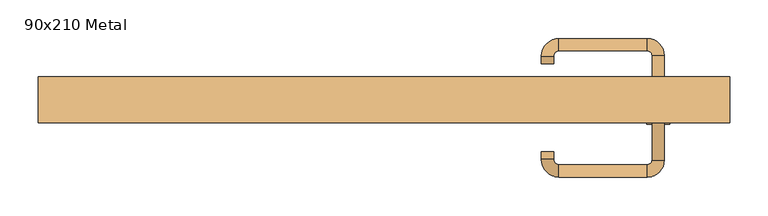
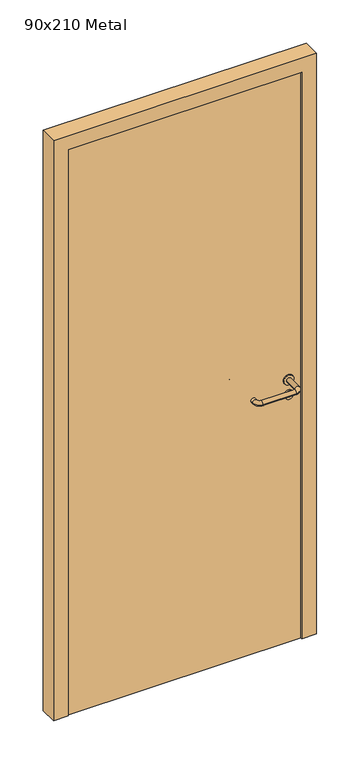
"""IFC4 building model written with IfcOpenShell, lengths in millimetres: door geometry, 90x210 Metal."""

from ifc_helpers import new_model, si_unit, point, frame, frame_2d, origin, origin_with_axes, place, context, project, spatial, polyline, circle_curve, ellipse_curve, trimmed, segment, composite_curve, outline, extrude, source, transform, mapped, element, save
from ifc_brep_helpers import plane_surface, cylinder_surface, revolved_surface, advanced_brep


def door_90x210_metal_0767e259(model_context):
    return source(origin(), model_context, "Body", "SolidModel", [
        extrude(outline(composite_curve([segment(trimmed(circle_curve(frame_2d((897.3605726, 357.0)), 15.0), [point((897.3605726, 372.0))], [point((897.3605726, 342.0))], False, "CARTESIAN"), True, "CONTINUOUS"), segment(trimmed(circle_curve(frame_2d((897.3605726, 357.0)), 15.0), [point((897.3605726, 342.0))], [point((897.3605726, 372.0))], False, "CARTESIAN"), True, "CONTINUOUS")], self_intersect=False), holes=[composite_curve([segment(trimmed(circle_curve(frame_2d((892.5833211, 356.9398032)), 2.0), [point((892.5833211, 358.9398032))], [point((892.5833211, 354.9398032))], True, "CARTESIAN"), True, "CONTINUOUS"), segment(polyline([(892.5833211, 354.9398032), (902.5833211, 354.9398032)]), True, "CONTINUOUS"), segment(trimmed(circle_curve(frame_2d((902.5833211, 356.9398032)), 2.0), [point((902.5833211, 354.9398032))], [point((902.5833211, 358.9398032))], True, "CARTESIAN"), True, "CONTINUOUS"), segment(polyline([(902.5833211, 358.9398032), (892.5833211, 358.9398032)]), True, "CONTINUOUS")], self_intersect=False)]), frame((0.0, -5.0, 0.0), z_axis=(0.0, 1.0, 0.0), x_axis=(0.0, 0.0, 1.0)), (0.0, 0.0, 1.0), 6.35),
        extrude(outline(composite_curve([segment(trimmed(circle_curve(frame_2d((950.0, 357.0)), 17.526), [point((950.0, 374.526))], [point((950.0, 339.474))], False, "CARTESIAN"), True, "CONTINUOUS"), segment(trimmed(circle_curve(frame_2d((950.0, 357.0)), 17.526), [point((950.0, 339.474))], [point((950.0, 374.526))], False, "CARTESIAN"), True, "CONTINUOUS")], self_intersect=False)), frame((0.0, -5.0, 0.0), z_axis=(0.0, 1.0, 0.0), x_axis=(0.0, 0.0, 1.0)), (0.0, 0.0, 1.0), 3.175),
        advanced_brep(
        [(365.0, -5.0, 950.0), (349.0, -5.0, 950.0), (365.0, 48.0, 950.0), (349.0, 48.0, 950.0), (342.8578644, 54.1421356, 950.0), (342.8578644, 70.1421356, 950.0), (227.8578644, 70.1421356, 950.0), (227.8578644, 54.1421356, 950.0), (221.008622, 47.2928932, 950.0), (205.008622, 47.2928932, 950.0), (205.008622, 37.2928932, 950.0), (221.008622, 37.2928932, 950.0)],
        [
            (0, 1, circle_curve(frame((357.0, -5.0, 950.0), z_axis=(0.0, -1.0, 0.0), x_axis=(-1.0, 0.0, 0.0)), 8.0)),
            (1, 0, circle_curve(frame((357.0, -5.0, 950.0), z_axis=(0.0, -1.0, 0.0), x_axis=(-1.0, 0.0, 0.0)), 8.0)),
            (0, 2),
            (2, 3, circle_curve(frame((357.0, 48.0, 950.0), z_axis=(0.0, -1.0, 0.0), x_axis=(-1.0, 0.0, 0.0)), 8.0)),
            (3, 1),
            (3, 2, circle_curve(frame((357.0, 48.0, 950.0), z_axis=(0.0, -1.0, 0.0), x_axis=(-1.0, 0.0, 0.0)), 8.0)),
            (4, 3, circle_curve(frame((342.8578644, 48.0, 950.0), z_axis=(0.0, 0.0, -1.0), x_axis=(1.0, 0.0, 0.0)), 6.1421356)),
            (2, 5, circle_curve(frame((342.8578644, 48.0, 950.0), z_axis=(0.0, 0.0, 1.0), x_axis=(1.0, 0.0, 0.0)), 22.1421356)),
            (5, 4, circle_curve(frame((342.8578644, 62.1421356, 950.0), z_axis=(1.0, 0.0, 0.0), x_axis=(0.0, -1.0, 0.0)), 8.0)),
            (4, 5, circle_curve(frame((342.8578644, 62.1421356, 950.0), z_axis=(1.0, 0.0, 0.0), x_axis=(0.0, -1.0, 0.0)), 8.0)),
            (5, 6),
            (6, 7, circle_curve(frame((227.8578644, 62.1421356, 950.0), z_axis=(1.0, 0.0, 0.0), x_axis=(0.0, -1.0, 0.0)), 8.0)),
            (7, 4),
            (7, 6, circle_curve(frame((227.8578644, 62.1421356, 950.0), z_axis=(1.0, 0.0, 0.0), x_axis=(0.0, -1.0, 0.0)), 8.0)),
            (8, 7, circle_curve(frame((227.8578644, 47.2928932, 950.0), z_axis=(0.0, 0.0, -1.0), x_axis=(0.0, 1.0, 0.0)), 6.8492424)),
            (6, 9, circle_curve(frame((227.8578644, 47.2928932, 950.0), z_axis=(0.0, 0.0, 1.0), x_axis=(0.0, 1.0, 0.0)), 22.8492424)),
            (9, 8, circle_curve(frame((213.008622, 47.2928932, 950.0), z_axis=(0.0, 1.0, 0.0), x_axis=(1.0, 0.0, 0.0)), 8.0)),
            (8, 9, circle_curve(frame((213.008622, 47.2928932, 950.0), z_axis=(0.0, 1.0, 0.0), x_axis=(1.0, 0.0, 0.0)), 8.0)),
            (10, 11, circle_curve(frame((213.008622, 37.2928932, 950.0), z_axis=(0.0, -1.0, 0.0), x_axis=(1.0, 0.0, 0.0)), 8.0)),
            (11, 10, circle_curve(frame((213.008622, 37.2928932, 950.0), z_axis=(0.0, -1.0, 0.0), x_axis=(1.0, 0.0, 0.0)), 8.0)),
            (9, 10),
            (11, 8),
        ],
        [
            plane_surface(frame((357.0, -5.0, 0.0), z_axis=(0.0, -1.0, 0.0), x_axis=(0.0, 0.0, 1.0))),
            cylinder_surface(frame((357.0, -5.0, 950.0), z_axis=(0.0, -1.0, 0.0), x_axis=(-1.0, 0.0, 0.0)), 8.0),
            revolved_surface(trimmed(ellipse_curve(frame((357.0, 48.0, 950.0), z_axis=(0.0, -1.0, 0.0), x_axis=(-1.0, 0.0, 0.0)), 8.0, 8.0), [point((365.0, 48.0, 950.0))], [point((349.0, 48.0, 950.0))], True, "CARTESIAN"), (342.8578644, 48.0, 0.0), (0.0, 0.0, 1.0)),
            revolved_surface(trimmed(ellipse_curve(frame((357.0, 48.0, 950.0), z_axis=(0.0, -1.0, 0.0), x_axis=(-1.0, 0.0, 0.0)), 8.0, 8.0), [point((349.0, 48.0, 950.0))], [point((365.0, 48.0, 950.0))], True, "CARTESIAN"), (342.8578644, 48.0, 0.0), (0.0, 0.0, 1.0)),
            cylinder_surface(frame((342.8578644, 62.1421356, 950.0), z_axis=(1.0, 0.0, 0.0), x_axis=(0.0, -1.0, 0.0)), 8.0),
            revolved_surface(trimmed(ellipse_curve(frame((227.8578644, 62.1421356, 950.0), z_axis=(1.0, 0.0, 0.0), x_axis=(0.0, -1.0, 0.0)), 8.0, 8.0), [point((227.8578644, 70.1421356, 950.0))], [point((227.8578644, 54.1421356, 950.0))], True, "CARTESIAN"), (227.8578644, 47.2928932, 0.0), (0.0, 0.0, 1.0)),
            revolved_surface(trimmed(ellipse_curve(frame((227.8578644, 62.1421356, 950.0), z_axis=(1.0, 0.0, 0.0), x_axis=(0.0, -1.0, 0.0)), 8.0, 8.0), [point((227.8578644, 54.1421356, 950.0))], [point((227.8578644, 70.1421356, 950.0))], True, "CARTESIAN"), (227.8578644, 47.2928932, 0.0), (0.0, 0.0, 1.0)),
            plane_surface(frame((213.008622, 37.2928932, 0.0), z_axis=(0.0, -1.0, 0.0), x_axis=(0.0, 0.0, 1.0))),
            cylinder_surface(frame((213.008622, 47.2928932, 950.0), z_axis=(0.0, 1.0, 0.0), x_axis=(1.0, 0.0, 0.0)), 8.0),
        ],
        [
            (0, [[1, 2]]),
            (1, [[-1, 3, 4, 5]]),
            (1, [[-2, -5, 6, -3]]),
            (2, [[7, -4, 8, 9]]),
            (3, [[-8, -6, -7, 10]]),
            (4, [[-9, 11, 12, 13]]),
            (4, [[-10, -13, 14, -11]]),
            (5, [[15, -12, 16, 17]]),
            (6, [[-16, -14, -15, 18]]),
            (7, [[19, 20]]),
            (8, [[-17, 21, -20, 22]]),
            (8, [[-18, -22, -19, -21]]),
        ],
    ),
        extrude(outline(composite_curve([segment(trimmed(circle_curve(frame_2d((0.0, 15.0)), 15.0), [point((0.0, 30.0))], [point((0.0, 0.0))], False, "CARTESIAN"), True, "CONTINUOUS"), segment(trimmed(circle_curve(frame_2d((0.0, 15.0)), 15.0), [point((0.0, 0.0))], [point((0.0, 30.0))], False, "CARTESIAN"), True, "CONTINUOUS")], self_intersect=False), holes=[composite_curve([segment(trimmed(circle_curve(frame_2d((-4.7772515, 14.9398032)), 2.0), [point((-4.7772515, 16.9398032))], [point((-4.7772515, 12.9398032))], True, "CARTESIAN"), True, "CONTINUOUS"), segment(polyline([(-4.7772515, 12.9398032), (5.2227485, 12.9398032)]), True, "CONTINUOUS"), segment(trimmed(circle_curve(frame_2d((5.2227485, 14.9398032)), 2.0), [point((5.2227485, 12.9398032))], [point((5.2227485, 16.9398032))], True, "CARTESIAN"), True, "CONTINUOUS"), segment(polyline([(5.2227485, 16.9398032), (-4.7772515, 16.9398032)]), True, "CONTINUOUS")], self_intersect=False)]), frame((342.0, -41.35, 897.3605726), z_axis=(-1.8870575173328306e-12, 1.0, 0.0), x_axis=(0.0, 0.0, 1.0)), (0.0, 0.0, 1.0), 6.35),
        extrude(outline(composite_curve([segment(trimmed(circle_curve(frame_2d((0.0, 17.526)), 17.526), [point((0.0, 35.052))], [point((0.0, 0.0))], False, "CARTESIAN"), True, "CONTINUOUS"), segment(trimmed(circle_curve(frame_2d((0.0, 17.526)), 17.526), [point((0.0, 0.0))], [point((0.0, 35.052))], False, "CARTESIAN"), True, "CONTINUOUS")], self_intersect=False)), frame((339.474, -38.175, 950.0), z_axis=(-1.8870575173328306e-12, 1.0, 0.0), x_axis=(0.0, 0.0, 1.0)), (0.0, 0.0, 1.0), 3.175),
        advanced_brep(
        [(365.0, -35.0, 950.0), (349.0, -35.0, 950.0), (349.0, -88.0, 950.0), (365.0, -88.0, 950.0), (342.8578644, -94.1421356, 950.0), (342.8578644, -110.1421356, 950.0), (227.8578644, -94.1421356, 950.0), (227.8578644, -110.1421356, 950.0), (221.008622, -87.2928932, 950.0), (205.008622, -87.2928932, 950.0), (205.008622, -77.2928932, 950.0), (221.008622, -77.2928932, 950.0)],
        [
            (0, 1, circle_curve(frame((357.0, -35.0, 950.0), z_axis=(-1.888672253512351e-12, 1.0, 0.0), x_axis=(-1.0, -1.888672253512351e-12, 0.0)), 8.0)),
            (1, 0, circle_curve(frame((357.0, -35.0, 950.0), z_axis=(-1.888672253512351e-12, 1.0, 0.0), x_axis=(-1.0, -1.888672253512351e-12, 0.0)), 8.0)),
            (1, 2),
            (2, 3, circle_curve(frame((357.0, -88.0, 950.0), z_axis=(-1.888672253512351e-12, 1.0, 0.0), x_axis=(-1.0, -1.888672253512351e-12, 0.0)), 8.0)),
            (3, 0),
            (3, 2, circle_curve(frame((357.0, -88.0, 950.0), z_axis=(-1.888672253512351e-12, 1.0, 0.0), x_axis=(-1.0, -1.888672253512351e-12, 0.0)), 8.0)),
            (4, 5, circle_curve(frame((342.8578644, -102.1421356, 950.0), z_axis=(1.0, 1.913702061528922e-12, 0.0), x_axis=(-1.913702061528922e-12, 1.0, 0.0)), 8.0)),
            (5, 3, circle_curve(frame((342.8578644, -88.0, 950.0), z_axis=(0.0, 0.0, 1.0), x_axis=(1.0, 1.880717803715015e-12, 0.0)), 22.1421356)),
            (2, 4, circle_curve(frame((342.8578644, -88.0, 950.0), z_axis=(0.0, 0.0, -1.0), x_axis=(1.0, 1.880717803715015e-12, 0.0)), 6.1421356)),
            (5, 4, circle_curve(frame((342.8578644, -102.1421356, 950.0), z_axis=(1.0, 1.913702061528922e-12, 0.0), x_axis=(-1.913702061528922e-12, 1.0, 0.0)), 8.0)),
            (4, 6),
            (6, 7, circle_curve(frame((227.8578644, -102.1421356, 950.0), z_axis=(1.0, 1.913719828541269e-12, 0.0), x_axis=(-1.913719828541269e-12, 1.0, 0.0)), 8.0)),
            (7, 5),
            (7, 6, circle_curve(frame((227.8578644, -102.1421356, 950.0), z_axis=(1.0, 1.913719828541269e-12, 0.0), x_axis=(-1.913719828541269e-12, 1.0, 0.0)), 8.0)),
            (8, 9, circle_curve(frame((213.008622, -87.2928932, 950.0), z_axis=(1.8888942981172756e-12, -1.0, 0.0), x_axis=(1.0, 1.8888942981172756e-12, 0.0)), 8.0)),
            (9, 7, circle_curve(frame((227.8578644, -87.2928932, 950.0), z_axis=(0.0, 0.0, 1.0), x_axis=(1.9120873253494017e-12, -1.0, 0.0)), 22.8492424)),
            (6, 8, circle_curve(frame((227.8578644, -87.2928932, 950.0), z_axis=(0.0, 0.0, -1.0), x_axis=(1.9120873253494017e-12, -1.0, 0.0)), 6.8492424)),
            (9, 8, circle_curve(frame((213.008622, -87.2928932, 950.0), z_axis=(1.890448610351751e-12, -1.0, 0.0), x_axis=(1.0, 1.890448610351751e-12, 0.0)), 8.0)),
            (10, 11, circle_curve(frame((213.008622, -77.2928932, 950.0), z_axis=(-1.8903642334018795e-12, 1.0, 0.0), x_axis=(1.0, 1.8903642334018795e-12, 0.0)), 8.0)),
            (11, 10, circle_curve(frame((213.008622, -77.2928932, 950.0), z_axis=(-1.8903642334018795e-12, 1.0, 0.0), x_axis=(1.0, 1.8903642334018795e-12, 0.0)), 8.0)),
            (8, 11),
            (10, 9),
        ],
        [
            plane_surface(frame((357.0, -35.0, 0.0), z_axis=(-1.8870575173328306e-12, 1.0, 0.0), x_axis=(0.0, 0.0, 1.0))),
            cylinder_surface(frame((357.0, -35.0, 950.0), z_axis=(-1.888672253512351e-12, 1.0, 0.0), x_axis=(-1.0, -1.888672253512351e-12, 0.0)), 8.0),
            revolved_surface(trimmed(ellipse_curve(frame((357.0, -88.0, 950.0), z_axis=(1.8823325398945356e-12, -1.0, 0.0), x_axis=(-1.0, -1.8823325398945356e-12, 0.0)), 8.0, 8.0), [point((365.0, -88.0, 950.0))], [point((349.0, -88.0, 950.0))], True, "CARTESIAN"), (342.8578644, -88.0, 0.0), (0.0, 0.0, 1.0)),
            revolved_surface(trimmed(ellipse_curve(frame((357.0, -88.0, 950.0), z_axis=(1.8823325398945356e-12, -1.0, 0.0), x_axis=(-1.0, -1.8823325398945356e-12, 0.0)), 8.0, 8.0), [point((349.0, -88.0, 950.0))], [point((365.0, -88.0, 950.0))], True, "CARTESIAN"), (342.8578644, -88.0, 0.0), (0.0, 0.0, 1.0)),
            cylinder_surface(frame((342.8578644, -102.1421356, 950.0), z_axis=(1.0, 1.913719828541269e-12, 0.0), x_axis=(-1.913719828541269e-12, 1.0, 0.0)), 8.0),
            revolved_surface(trimmed(ellipse_curve(frame((227.8578644, -102.1421356, 950.0), z_axis=(-1.0, -1.913702061528922e-12, 0.0), x_axis=(-1.913702061528922e-12, 1.0, 0.0)), 8.0, 8.0), [point((227.8578644, -110.1421356, 950.0))], [point((227.8578644, -94.1421356, 950.0))], True, "CARTESIAN"), (227.8578644, -87.2928932, 0.0), (0.0, 0.0, 1.0)),
            revolved_surface(trimmed(ellipse_curve(frame((227.8578644, -102.1421356, 950.0), z_axis=(-1.0, -1.913702061528922e-12, 0.0), x_axis=(-1.913702061528922e-12, 1.0, 0.0)), 8.0, 8.0), [point((227.8578644, -94.1421356, 950.0))], [point((227.8578644, -110.1421356, 950.0))], True, "CARTESIAN"), (227.8578644, -87.2928932, 0.0), (0.0, 0.0, 1.0)),
            plane_surface(frame((213.008622, -77.2928932, 0.0), z_axis=(-1.8887494972223595e-12, 1.0, 0.0), x_axis=(0.0, 0.0, 1.0))),
            cylinder_surface(frame((213.008622, -87.2928932, 950.0), z_axis=(1.8903642334018795e-12, -1.0, 0.0), x_axis=(1.0, 1.8903642334018795e-12, 0.0)), 8.0),
        ],
        [
            (0, [[1, 2]]),
            (1, [[3, 4, 5, -2]]),
            (1, [[-5, 6, -3, -1]]),
            (2, [[7, 8, -4, 9]]),
            (3, [[10, -9, -6, -8]]),
            (4, [[11, 12, 13, -7]]),
            (4, [[-13, 14, -11, -10]]),
            (5, [[15, 16, -12, 17]]),
            (6, [[18, -17, -14, -16]]),
            (7, [[19, 20]]),
            (8, [[21, -19, 22, -15]]),
            (8, [[-22, -20, -21, -18]]),
        ],
    ),
        extrude(outline(polyline([(2050.0, 400.0), (0.0, 400.0), (0.0, 450.0), (2100.0, 450.0), (2100.0, -450.0), (0.0, -450.0), (0.0, -400.0), (2050.0, -400.0), (2050.0, 400.0)])), frame((0.0, -40.0, 0.0), z_axis=(0.0, 1.0, 0.0), x_axis=(0.0, 0.0, 1.0)), (0.0, 0.0, 1.0), 60.0),
        extrude(outline(polyline([(-400.0, -35.0), (-400.0, -5.0), (400.0, -5.0), (400.0, -35.0), (-400.0, -35.0)])), origin_with_axes(), (0.0, 0.0, 1.0), 2050.0),
    ])


if __name__ == "__main__":
    model = new_model("IFC4")
    model_context = context("Model", 3, world=origin())
    ifc_project = project(units=[si_unit("LENGTHUNIT", "METRE", prefix="MILLI")], contexts=[model_context])
    site = spatial("IfcSite", under=ifc_project)
    building = spatial("IfcBuilding", under=site)
    placement = place(None, origin())
    door_90x210_metal_shape = door_90x210_metal_0767e259(model_context)
    element("IfcDoor", 1, ObjectType="90x210 Metal", at=placement, inside=building, context=model_context, shape_type="MappedRepresentation", body=[
        mapped(door_90x210_metal_shape, transform((0.0, 0.0, 0.0), x_axis=(1.0, 0.0, 0.0), y_axis=(0.0, 1.0, 0.0), z_axis=(0.0, 0.0, 1.0))),
    ])
    save(model, "model.ifc")
